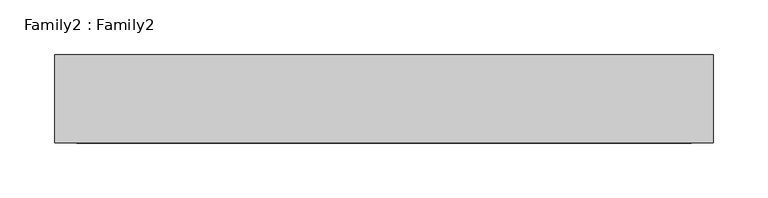
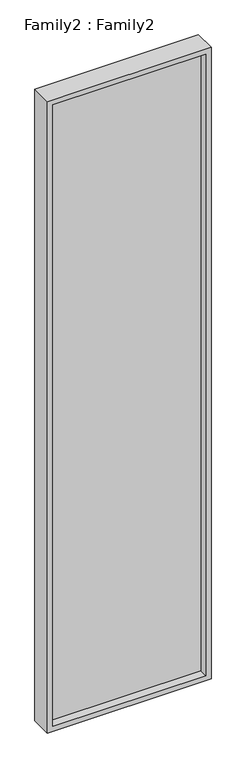
"""IFC4 building model written with IfcOpenShell, lengths in millimetres: plate geometry, Family2 : Family2."""

from ifc_helpers import new_model, si_unit, frame, origin, place, context, project, spatial, polyline, outline, extrude, source, transform, mapped, element, save


def family2_family2_d565fa27(model_context):
    return source(origin(), model_context, "Body", "SweptSolid", [
        extrude(outline(polyline([(2450.0, -300.0), (0.0, -300.0), (0.0, 300.0), (2450.0, 300.0), (2450.0, -300.0)]), holes=[polyline([(20.0, -280.0), (2430.0, -280.0), (2430.0, 280.0), (20.0, 280.0), (20.0, -280.0)])]), frame((0.0, -40.0, 0.0), z_axis=(0.0, 1.0, 0.0), x_axis=(0.0, 0.0, 1.0)), (0.0, 0.0, 1.0), 80.0),
        extrude(outline(polyline([(280.0, -10.0), (-280.0, -10.0), (-280.0, 10.0), (280.0, 10.0), (280.0, -10.0)])), frame((0.0, 0.0, 20.0), z_axis=(0.0, 0.0, 1.0), x_axis=(1.0, 0.0, 0.0)), (0.0, 0.0, 1.0), 2410.0),
    ])


if __name__ == "__main__":
    model = new_model("IFC4")
    model_context = context("Model", 3, world=origin())
    ifc_project = project(units=[si_unit("LENGTHUNIT", "METRE", prefix="MILLI")], contexts=[model_context])
    site = spatial("IfcSite", under=ifc_project)
    building = spatial("IfcBuilding", under=site)
    placement = place(None, origin())
    family2_family2_shape = family2_family2_d565fa27(model_context)
    element("IfcPlate", 1, ObjectType="Family2 : Family2", at=placement, inside=building, context=model_context, shape_type="MappedRepresentation", body=[
        mapped(family2_family2_shape, transform((0.0, 0.0, 0.0), x_axis=(1.0, 0.0, 0.0), y_axis=(0.0, 1.0, 0.0), z_axis=(0.0, 0.0, 1.0))),
    ])
    save(model, "model.ifc")
